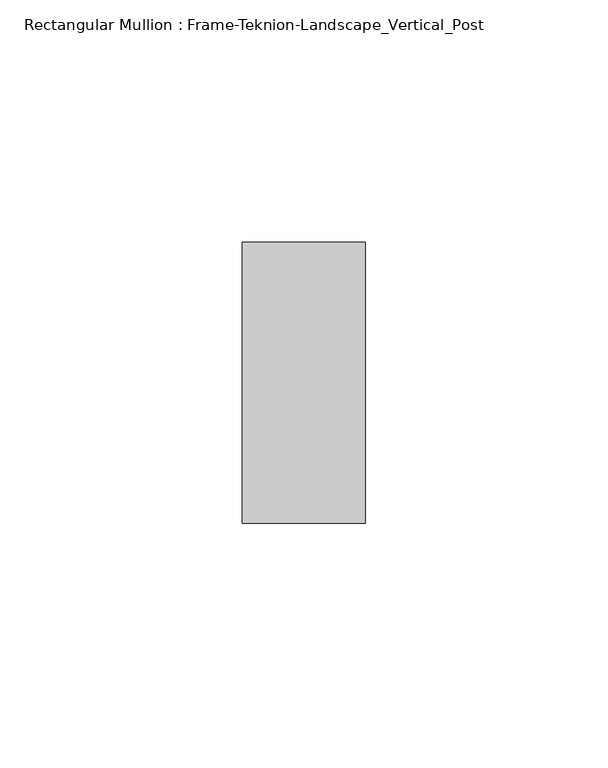
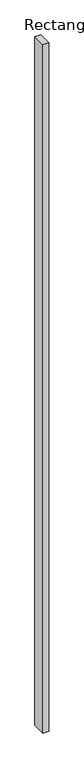
"""IFC4 building model written with IfcOpenShell, lengths in millimetres: member geometry, Rectangular Mullion : Frame-Teknion-Landscape_Vertical_Post."""

from ifc_helpers import new_model, si_unit, frame, origin, place, context, project, spatial, polyline, outline, extrude, source, transform, mapped, element, save


def rectangular_mullion_frame_teknion_landscape_vertical_post_74167362(model_context):
    return source(origin(), model_context, "Body", "SweptSolid", [
        extrude(outline(polyline([(0.0, 28.971875), (0.0, -28.971875), (-25.4, -28.971875), (-25.4, 28.971875), (0.0, 28.971875)])), frame((0.0, 0.0, -3048.0), z_axis=(0.0, 0.0, 1.0), x_axis=(1.0, 0.0, 0.0)), (0.0, 0.0, 1.0), 3048.0),
    ])


if __name__ == "__main__":
    model = new_model("IFC4")
    model_context = context("Model", 3, world=origin())
    ifc_project = project(units=[si_unit("LENGTHUNIT", "METRE", prefix="MILLI")], contexts=[model_context])
    site = spatial("IfcSite", under=ifc_project)
    building = spatial("IfcBuilding", under=site)
    placement = place(None, origin())
    rectangular_mullion_frame_teknion_landscape_vertical_post_shape = rectangular_mullion_frame_teknion_landscape_vertical_post_74167362(model_context)
    element("IfcMember", 1, ObjectType="Rectangular Mullion : Frame-Teknion-Landscape_Vertical_Post", at=placement, inside=building, context=model_context, shape_type="MappedRepresentation", body=[
        mapped(rectangular_mullion_frame_teknion_landscape_vertical_post_shape, transform((0.0, 0.0, 0.0), x_axis=(1.0, 0.0, 0.0), y_axis=(0.0, 1.0, 0.0), z_axis=(0.0, 0.0, 1.0))),
    ])
    save(model, "model.ifc")
